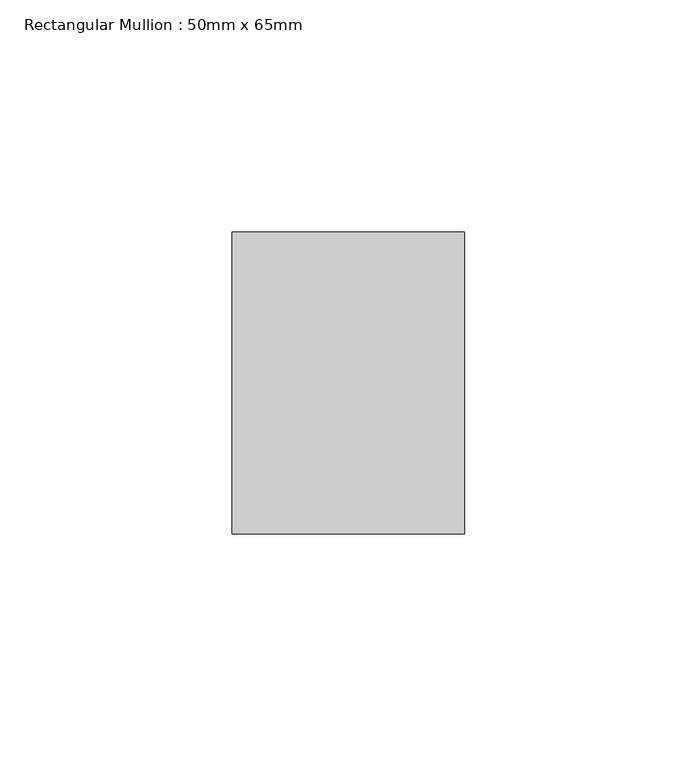
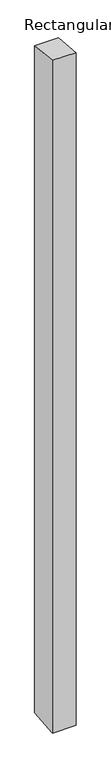
"""IFC4 building model written with IfcOpenShell, lengths in millimetres: member geometry, Rectangular Mullion : 50mm x 65mm."""

from ifc_helpers import new_model, si_unit, origin, place, context, project, spatial, faceted_brep, source, transform, mapped, element, save


def rectangular_mullion_50mm_x_65mm_a916327e(model_context):
    return source(origin(), model_context, "Body", "Brep", [
        faceted_brep([(-25.0, 32.5, -3.3716781), (25.0, 32.5, -3.3716842), (25.0, 32.5, -1496.8525538), (-25.0, 32.5, -1496.8525596), (-25.0, -32.5, 3.3716842), (-25.0, -32.5, -1503.1464307), (25.0, -32.5, 3.3716781), (25.0, -32.5, -1503.146425)], [[[0, 1, 2, 3]], [[4, 0, 3, 5]], [[6, 4, 5, 7]], [[1, 6, 7, 2]], [[1, 0, 4, 6]], [[2, 7, 5, 3]]]),
    ])


if __name__ == "__main__":
    model = new_model("IFC4")
    model_context = context("Model", 3, world=origin())
    ifc_project = project(units=[si_unit("LENGTHUNIT", "METRE", prefix="MILLI")], contexts=[model_context])
    site = spatial("IfcSite", under=ifc_project)
    building = spatial("IfcBuilding", under=site)
    placement = place(None, origin())
    rectangular_mullion_50mm_x_65mm_shape = rectangular_mullion_50mm_x_65mm_a916327e(model_context)
    element("IfcMember", 1, ObjectType="Rectangular Mullion : 50mm x 65mm", at=placement, inside=building, context=model_context, shape_type="MappedRepresentation", body=[
        mapped(rectangular_mullion_50mm_x_65mm_shape, transform((0.0, 0.0, 0.0), x_axis=(1.0, 0.0, 0.0), y_axis=(0.0, 1.0, 0.0), z_axis=(0.0, 0.0, 1.0))),
    ])
    save(model, "model.ifc")
